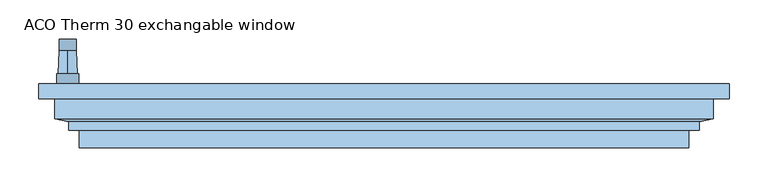
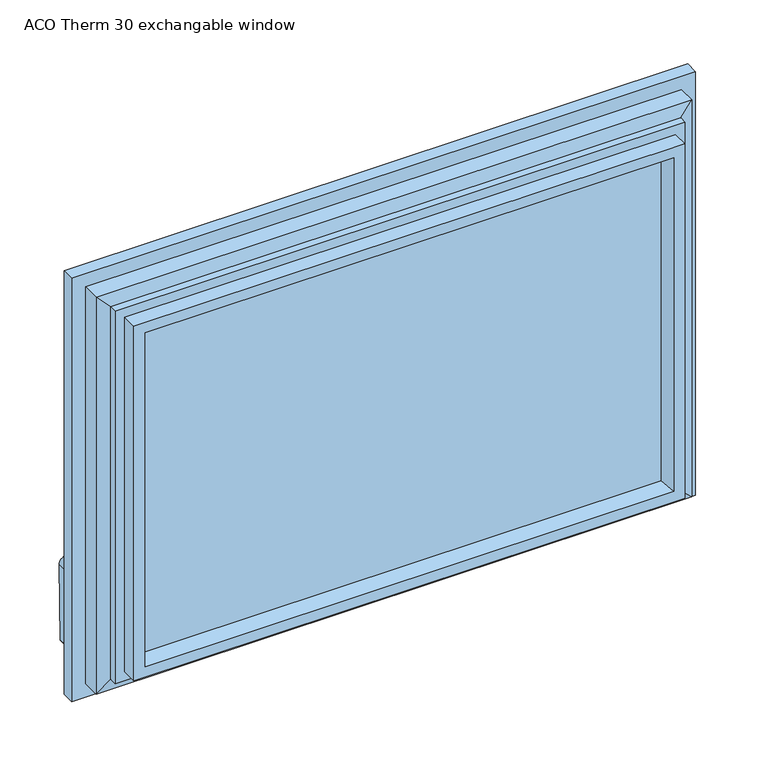
"""IFC4 building model written with IfcOpenShell, lengths in millimetres: window geometry, ACO Therm 30 exchangable window."""

from ifc_helpers import new_model, si_unit, point, frame, frame_2d, origin, place, context, project, spatial, polyline, circle_curve, trimmed, segment, composite_curve, outline, extrude, faceted_brep, source, transform, mapped, element, save
from ifc_brep_helpers import plane_surface, cylinder_surface, revolved_surface, advanced_brep


def aco_therm_30_exchangable_window_8fc34200(model_context):
    return source(origin(), model_context, "Body", "SolidModel", [
        advanced_brep(
        [(-391.2, 10.8, 220.2), (-391.2, 10.8, 184.8), (-419.8, 10.8, 184.8), (-419.8, 10.8, 220.2), (-405.5, 10.8, 190.5), (-405.5, 10.8, 214.5), (-391.2, -2.0, 220.2), (-419.8, -2.0, 220.2), (-419.8, -2.0, 184.8), (-391.2, -2.0, 184.8), (-405.5, 40.5837804, 213.45), (-405.5, 40.5837804, 191.55)],
        [
            (0, 1),
            (1, 2, circle_curve(frame((-405.5, 10.8, 184.8), z_axis=(0.0, 1.0, 0.0), x_axis=(-1.0, 0.0, 0.0)), 14.3)),
            (2, 3),
            (3, 0, circle_curve(frame((-405.5, 10.8, 220.2), z_axis=(0.0, 1.0, 0.0), x_axis=(-1.0, 0.0, 0.0)), 14.3)),
            (4, 5, circle_curve(frame((-405.5, 10.8, 202.5), z_axis=(0.0, -1.0, 0.0), x_axis=(0.0, 0.0, 1.0)), 12.0)),
            (5, 4, circle_curve(frame((-405.5, 10.8, 202.5), z_axis=(0.0, -1.0, 0.0), x_axis=(0.0, 0.0, -1.0)), 12.0)),
            (6, 7, circle_curve(frame((-405.5, -2.0, 220.2), z_axis=(0.0, -1.0, 0.0), x_axis=(-1.0, 0.0, 0.0)), 14.3)),
            (7, 8),
            (8, 9, circle_curve(frame((-405.5, -2.0, 184.8), z_axis=(0.0, -1.0, 0.0), x_axis=(-1.0, 0.0, 0.0)), 14.3)),
            (9, 6),
            (0, 6),
            (9, 1),
            (8, 2),
            (7, 3),
            (10, 11, circle_curve(frame((-405.5, 40.5837804, 202.5), z_axis=(0.0, 1.0, 0.0), x_axis=(0.0, 0.0, 1.0)), 10.95)),
            (11, 10, circle_curve(frame((-405.5, 40.5837804, 202.5), z_axis=(0.0, 1.0, 0.0), x_axis=(0.0, 0.0, -1.0)), 10.95)),
            (10, 5),
            (4, 11),
        ],
        [
            plane_surface(frame((-391.2, 10.8, 220.2), z_axis=(0.0, 1.0, 0.0), x_axis=(0.0, 0.0, -1.0))),
            plane_surface(frame((-391.2, -2.0, 220.2), z_axis=(0.0, -1.0, 0.0), x_axis=(0.0, 0.0, 1.0))),
            plane_surface(frame((-391.2, 10.8, 220.2), z_axis=(1.0, 0.0, 0.0), x_axis=(0.0, -1.0, 0.0))),
            cylinder_surface(frame((-405.5, -2.0, 184.8), z_axis=(0.0, 1.0, 0.0), x_axis=(-1.0, 0.0, 0.0)), 14.3),
            plane_surface(frame((-419.8, 10.8, 184.8), z_axis=(-1.0, 0.0, 0.0), x_axis=(0.0, -1.0, 0.0))),
            cylinder_surface(frame((-405.5, -2.0, 220.2), z_axis=(0.0, 1.0, 0.0), x_axis=(-1.0, 0.0, 0.0)), 14.3),
            plane_surface(frame((-405.5, 40.5837804, 202.5), z_axis=(0.0, 1.0, 0.0), x_axis=(1.0, 0.0, 0.0))),
            revolved_surface(polyline([(-405.5, 40.58378040000002, 213.4500000002644), (-405.5, 10.800000000000011, 214.5)]), (-405.5, 351.1860618, 202.5), (0.0, -1.0, 0.0)),
            revolved_surface(polyline([(-405.5, 40.58378040000002, 191.5499999997356), (-405.5, 10.800000000000011, 190.5)]), (-405.5, 351.1860618, 202.5), (0.0, -1.0, 0.0)),
        ],
        [
            (0, [[1, 2, 3, 4], [5, 6]]),
            (1, [[7, 8, 9, 10]]),
            (2, [[-1, 11, -10, 12]]),
            (3, [[-2, -12, -9, 13]]),
            (4, [[-3, -13, -8, 14]]),
            (5, [[-4, -14, -7, -11]]),
            (6, [[15, 16]]),
            (7, [[-15, 17, -5, 18]]),
            (8, [[-16, -18, -6, -17]]),
        ],
    ),
        extrude(outline(composite_curve([segment(trimmed(circle_curve(frame_2d((89.5593058, -409.4580365)), 5.1186159), [point((89.5592661, -414.5766524))], [point((84.4406899, -409.4580365))], False, "CARTESIAN"), True, "CONTINUOUS"), segment(polyline([(84.4406899, -409.4580365), (84.4406899, -401.5419635)]), True, "CONTINUOUS"), segment(trimmed(circle_curve(frame_2d((89.5593058, -401.5419635)), 5.1186159), [point((84.4406899, -401.5419635))], [point((89.3895475, -396.4261634))], False, "CARTESIAN"), True, "CONTINUOUS"), segment(polyline([(89.3895475, -396.4261634), (202.5, -394.55)]), True, "CONTINUOUS"), segment(trimmed(circle_curve(frame_2d((202.5, -405.5)), 10.95), [point((202.5, -394.55))], [point((202.5, -416.45))], False, "CARTESIAN"), True, "CONTINUOUS"), segment(polyline([(202.5, -416.45), (89.5592661, -414.5766524)]), True, "CONTINUOUS")], self_intersect=False)), frame((0.0, 40.5837804, 0.0), z_axis=(0.0, 1.0, 0.0), x_axis=(0.0, 0.0, 1.0)), (0.0, 0.0, 1.0), 15.0),
        extrude(outline(polyline([(386.5, -23.0), (386.5, -27.0), (-386.5, -27.0), (-386.5, -23.0), (386.5, -23.0)])), frame((0.0, 0.0, 108.5), z_axis=(0.0, 0.0, 1.0), x_axis=(1.0, 0.0, 0.0)), (0.0, 0.0, 1.0), 523.0),
        extrude(outline(polyline([(386.5, -59.0), (386.5, -63.0), (-386.5, -63.0), (-386.5, -59.0), (386.5, -59.0)])), frame((0.0, 0.0, 108.5), z_axis=(0.0, 0.0, 1.0), x_axis=(1.0, 0.0, 0.0)), (0.0, 0.0, 1.0), 523.0),
        extrude(outline(polyline([(386.5, -41.0), (386.5, -45.0), (-386.5, -45.0), (-386.5, -41.0), (386.5, -41.0)])), frame((0.0, 0.0, 108.5), z_axis=(0.0, 0.0, 1.0), x_axis=(1.0, 0.0, 0.0)), (0.0, 0.0, 1.0), 523.0),
        faceted_brep([(422.5, -21.0, 667.5), (422.5, -46.45, 667.5), (422.5, -46.45, 72.5), (422.5, -21.0, 72.5), (442.5, -2.0, 687.5), (442.5, -21.0, 687.5), (442.5, -21.0, 52.5), (442.5, -2.0, 52.5), (370.3364776, -23.0, 615.3364776), (359.6599742, -2.0, 604.6599742), (359.6599742, -2.0, 135.3400258), (370.3364776, -23.0, 124.6635224), (386.5, -63.0, 631.5), (386.5, -23.0, 631.5), (386.5, -23.0, 108.5), (386.5, -63.0, 108.5), (375.1595631, -84.0, 620.1595631), (369.53263, -63.0, 614.53263), (369.53263, -63.0, 125.46737), (375.1595631, -84.0, 119.8404369), (390.9018435, -84.0, 635.9018435), (390.9018435, -84.0, 104.0981565), (390.9018435, -61.5, 104.0981565), (390.9018435, -61.5, 635.9018435), (404.3518435, -50.6, 649.3518435), (404.3518435, -61.5, 649.3518435), (404.3518435, -61.5, 90.6481565), (404.3518435, -50.6, 90.6481565), (-422.5, -46.45, 72.5), (-422.5, -21.0, 72.5), (-442.5, -21.0, 52.5), (-442.5, -2.0, 52.5), (-359.6599742, -2.0, 135.3400258), (-370.3364776, -23.0, 124.6635224), (-386.5, -23.0, 108.5), (-386.5, -63.0, 108.5), (-369.53263, -63.0, 125.46737), (-375.1595631, -84.0, 119.8404369), (-390.9018435, -84.0, 104.0981565), (-390.9018435, -61.5, 104.0981565), (-404.3518435, -61.5, 90.6481565), (-404.3518435, -50.6, 90.6481565), (-422.5, -46.45, 667.5), (-422.5, -21.0, 667.5), (-442.5, -21.0, 687.5), (-442.5, -2.0, 687.5), (-359.6599742, -2.0, 604.6599742), (-370.3364776, -23.0, 615.3364776), (-386.5, -23.0, 631.5), (-386.5, -63.0, 631.5), (-369.53263, -63.0, 614.53263), (-375.1595631, -84.0, 620.1595631), (-390.9018435, -84.0, 635.9018435), (-390.9018435, -61.5, 635.9018435), (-404.3518435, -61.5, 649.3518435), (-404.3518435, -50.6, 649.3518435)], [[[0, 1, 2, 3]], [[4, 5, 6, 7]], [[8, 9, 10, 11]], [[12, 13, 14, 15]], [[16, 17, 18, 19]], [[20, 21, 22, 23]], [[24, 25, 26, 27]], [[1, 24, 27, 2]], [[3, 2, 28, 29]], [[7, 6, 30, 31]], [[11, 10, 32, 33]], [[15, 14, 34, 35]], [[19, 18, 36, 37]], [[22, 21, 38, 39]], [[27, 26, 40, 41]], [[2, 27, 41, 28]], [[29, 28, 42, 43]], [[31, 30, 44, 45]], [[33, 32, 46, 47]], [[35, 34, 48, 49]], [[37, 36, 50, 51]], [[39, 38, 52, 53]], [[41, 40, 54, 55]], [[28, 41, 55, 42]], [[43, 42, 1, 0]], [[5, 44, 30, 6], [3, 29, 43, 0]], [[45, 44, 5, 4]], [[7, 31, 45, 4], [9, 46, 32, 10]], [[47, 46, 9, 8]], [[13, 48, 34, 14], [11, 33, 47, 8]], [[49, 48, 13, 12]], [[15, 35, 49, 12], [17, 50, 36, 18]], [[51, 50, 17, 16]], [[20, 52, 38, 21], [19, 37, 51, 16]], [[53, 52, 20, 23]], [[25, 54, 40, 26], [22, 39, 53, 23]], [[55, 54, 25, 24]], [[42, 55, 24, 1]]]),
    ])


if __name__ == "__main__":
    model = new_model("IFC4")
    model_context = context("Model", 3, world=origin())
    ifc_project = project(units=[si_unit("LENGTHUNIT", "METRE", prefix="MILLI")], contexts=[model_context])
    site = spatial("IfcSite", under=ifc_project)
    building = spatial("IfcBuilding", under=site)
    placement = place(None, origin())
    aco_therm_30_exchangable_window_shape = aco_therm_30_exchangable_window_8fc34200(model_context)
    element("IfcWindow", 1, ObjectType="ACO Therm 30 exchangable window", at=placement, inside=building, context=model_context, shape_type="MappedRepresentation", body=[
        mapped(aco_therm_30_exchangable_window_shape, transform((0.0, 0.0, 0.0), x_axis=(1.0, 0.0, 0.0), y_axis=(0.0, 1.0, 0.0), z_axis=(0.0, 0.0, 1.0))),
    ])
    save(model, "model.ifc")
